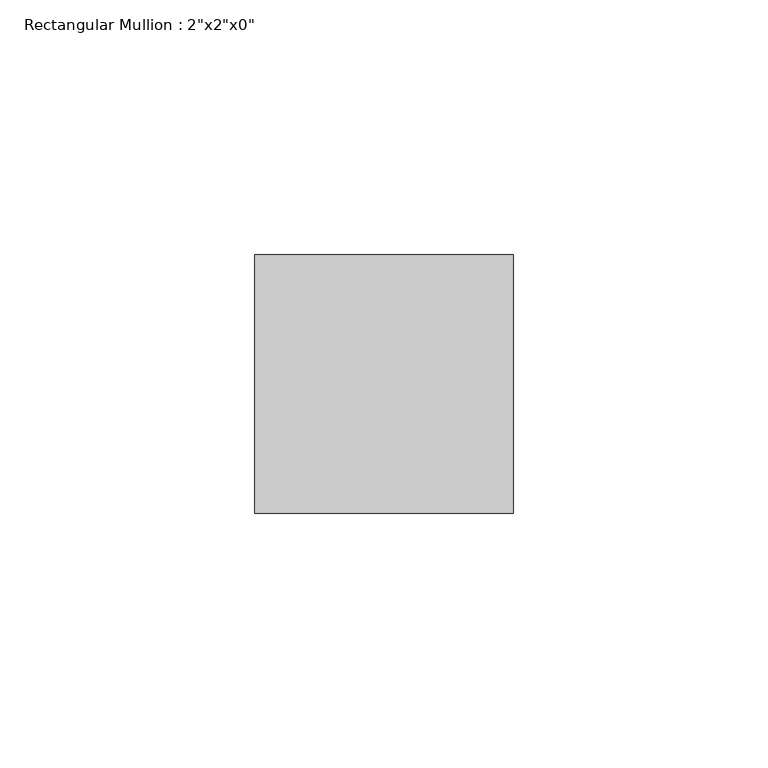
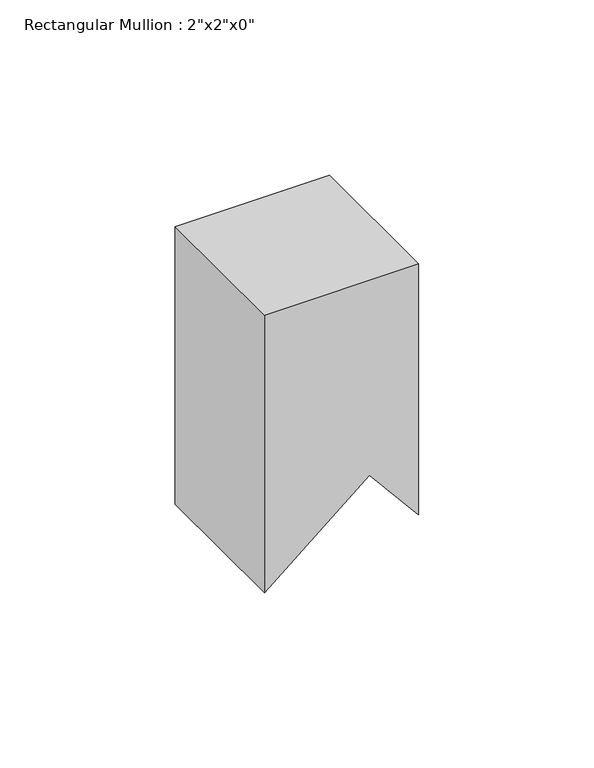
"""IFC4 building model written with IfcOpenShell, lengths in millimetres: member geometry."""

from ifc_helpers import new_model, si_unit, origin, place, context, project, spatial, faceted_brep, source, transform, mapped, element, save


def member_4fa598ef(model_context):
    return source(origin(), model_context, "Body", "Brep", [
        faceted_brep([(0.0, 25.4, 0.0), (-50.8, 25.4, 0.0), (-50.8, -25.4, 0.0), (0.0, -25.4, 0.0), (0.0, 25.4, -87.3413732), (-6.9272727, 25.4, -79.0158275), (-16.2458946, 25.4, -67.8162379), (-50.8, 25.4, -96.5669915), (-50.8, -25.4, -96.5669915), (-16.2458946, -25.4, -67.8162379), (0.0, -25.4, -87.3413732)], [[[0, 1, 2, 3]], [[1, 0, 4, 5, 6, 7]], [[2, 1, 7, 8]], [[3, 2, 8, 9, 10]], [[0, 3, 10, 4]], [[4, 10, 9, 6, 5]], [[9, 8, 7, 6]]]),
    ])


if __name__ == "__main__":
    model = new_model("IFC4")
    model_context = context("Model", 3, world=origin())
    ifc_project = project(units=[si_unit("LENGTHUNIT", "METRE", prefix="MILLI")], contexts=[model_context])
    site = spatial("IfcSite", under=ifc_project)
    building = spatial("IfcBuilding", under=site)
    placement = place(None, origin())
    member_shape = member_4fa598ef(model_context)
    element("IfcMember", 1, ObjectType="Rectangular Mullion : 2\"x2\"x0\"", at=placement, inside=building, context=model_context, shape_type="MappedRepresentation", body=[
        mapped(member_shape, transform((0.0, 0.0, 0.0), x_axis=(1.0, 0.0, 0.0), y_axis=(0.0, 1.0, 0.0), z_axis=(0.0, 0.0, 1.0))),
    ])
    save(model, "model.ifc")
